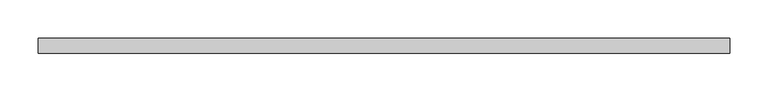
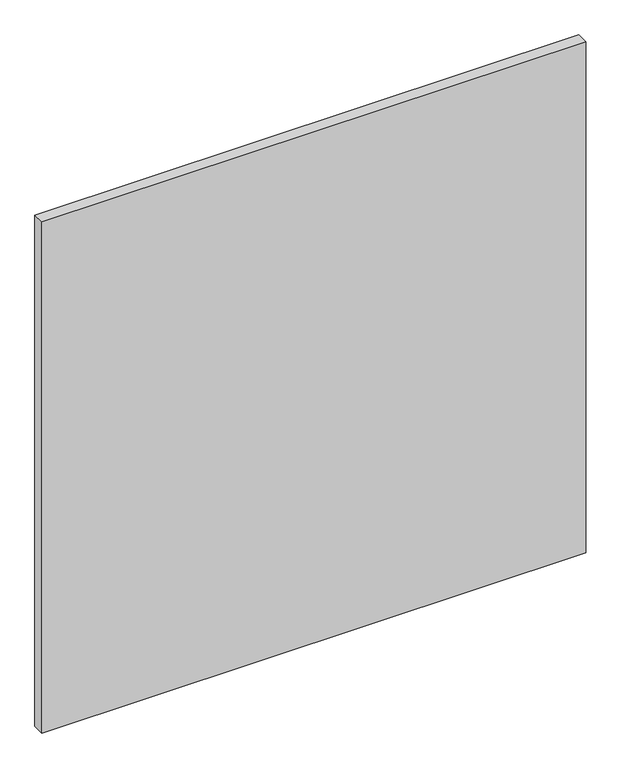
"""IFC4 building model written with IfcOpenShell, lengths in millimetres: proxy geometry."""

from ifc_helpers import new_model, si_unit, frame, origin, place, context, project, spatial, polyline, outline, extrude, source, transform, mapped, element, save


def specialty_equipment_f03577ed(model_context):
    return source(origin(), model_context, "Body", "SweptSolid", [
        extrude(outline(polyline([(448.9704, 0.0), (-448.9704, 0.0), (-448.9704, 19.05), (448.9704, 19.05), (448.9704, 0.0)])), frame((0.0, 0.0, 3.175), z_axis=(0.0, 0.0, 1.0), x_axis=(1.0, 0.0, 0.0)), (0.0, 0.0, 1.0), 892.175),
    ])


if __name__ == "__main__":
    model = new_model("IFC4")
    model_context = context("Model", 3, world=origin())
    ifc_project = project(units=[si_unit("LENGTHUNIT", "METRE", prefix="MILLI")], contexts=[model_context])
    site = spatial("IfcSite", under=ifc_project)
    building = spatial("IfcBuilding", under=site)
    placement = place(None, origin())
    specialty_equipment_shape = specialty_equipment_f03577ed(model_context)
    element("IfcBuildingElementProxy", 1, Name="Specialty Equipment", at=placement, inside=building, context=model_context, shape_type="MappedRepresentation", body=[
        mapped(specialty_equipment_shape, transform((0.0, 0.0, 0.0), x_axis=(1.0, 0.0, 0.0), y_axis=(0.0, 1.0, 0.0), z_axis=(0.0, 0.0, 1.0))),
    ])
    save(model, "model.ifc")
